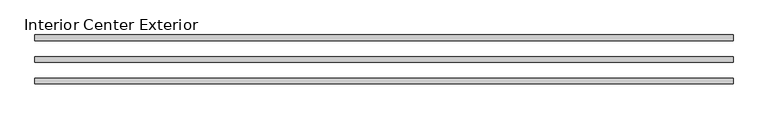
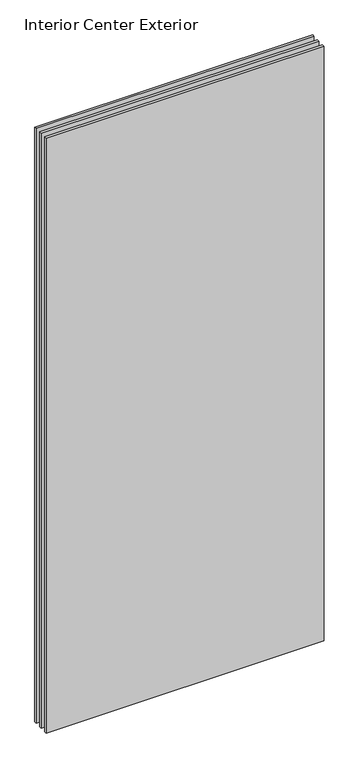
"""IFC4 building model written with IfcOpenShell, lengths in millimetres: plate geometry, Interior Center Exterior."""

from ifc_helpers import new_model, si_unit, frame, origin, place, context, project, spatial, polyline, outline, extrude, source, transform, mapped, element, save


def interior_center_exterior_4b428465(model_context):
    return source(origin(), model_context, "Body", "SweptSolid", [
        extrude(outline(polyline([(601.4124998, -4.7625), (-577.5999998, -4.7625), (-577.5999998, 4.7625), (601.4124998, 4.7625), (601.4124998, -4.7625)])), frame((0.0, 0.0, 31.75), z_axis=(0.0, 0.0, 1.0), x_axis=(1.0, 0.0, 0.0)), (0.0, 0.0, 1.0), 2666.4999996),
        extrude(outline(polyline([(601.4124998, -41.275), (-577.5999998, -41.275), (-577.5999998, -31.75), (601.4124998, -31.75), (601.4124998, -41.275)])), frame((0.0, 0.0, 31.75), z_axis=(0.0, 0.0, 1.0), x_axis=(1.0, 0.0, 0.0)), (0.0, 0.0, 1.0), 2666.4999996),
        extrude(outline(polyline([(601.4124998, 41.275), (601.4124998, 31.75), (-577.5999998, 31.75), (-577.5999998, 41.275), (601.4124998, 41.275)])), frame((0.0, 0.0, 31.75), z_axis=(0.0, 0.0, 1.0), x_axis=(1.0, 0.0, 0.0)), (0.0, 0.0, 1.0), 2666.4999996),
    ])


if __name__ == "__main__":
    model = new_model("IFC4")
    model_context = context("Model", 3, world=origin())
    ifc_project = project(units=[si_unit("LENGTHUNIT", "METRE", prefix="MILLI")], contexts=[model_context])
    site = spatial("IfcSite", under=ifc_project)
    building = spatial("IfcBuilding", under=site)
    placement = place(None, origin())
    interior_center_exterior_shape = interior_center_exterior_4b428465(model_context)
    element("IfcPlate", 1, ObjectType="Interior Center Exterior", at=placement, inside=building, context=model_context, shape_type="MappedRepresentation", body=[
        mapped(interior_center_exterior_shape, transform((0.0, 0.0, 0.0), x_axis=(1.0, 0.0, 0.0), y_axis=(0.0, 1.0, 0.0), z_axis=(0.0, 0.0, 1.0))),
    ])
    save(model, "model.ifc")
